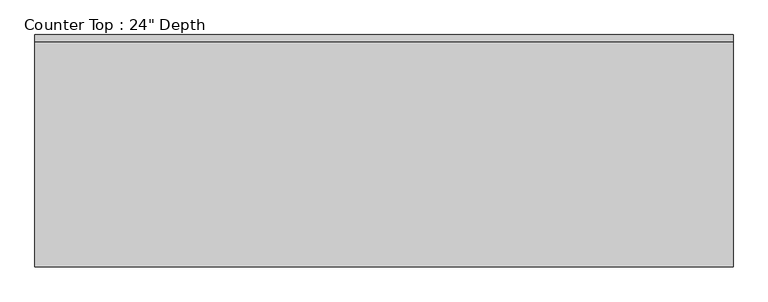
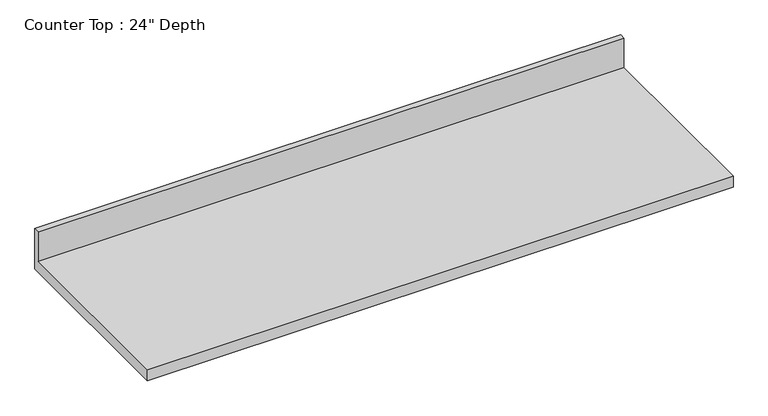
"""IFC4 building model written with IfcOpenShell, lengths in millimetres: furniture geometry."""

from ifc_helpers import new_model, si_unit, frame, origin, place, context, project, spatial, polyline, outline, extrude, source, transform, mapped, element, save


def furniture_82df5bfc(model_context):
    return source(origin(), model_context, "Body", "SweptSolid", [
        extrude(outline(polyline([(0.0, 1016.0), (0.0, 876.3), (-635.0, 876.3), (-635.0, 914.4), (-19.05, 914.4), (-19.05, 1016.0), (0.0, 1016.0)])), frame((-1200.4622951, 0.0, 0.0), z_axis=(1.0, 0.0, 0.0), x_axis=(0.0, 1.0, 0.0)), (0.0, 0.0, 1.0), 1908.6186914),
    ])


if __name__ == "__main__":
    model = new_model("IFC4")
    model_context = context("Model", 3, world=origin())
    ifc_project = project(units=[si_unit("LENGTHUNIT", "METRE", prefix="MILLI")], contexts=[model_context])
    site = spatial("IfcSite", under=ifc_project)
    building = spatial("IfcBuilding", under=site)
    placement = place(None, origin())
    furniture_shape = furniture_82df5bfc(model_context)
    element("IfcFurniture", 1, ObjectType="Counter Top : 24\" Depth", at=placement, inside=building, context=model_context, shape_type="MappedRepresentation", body=[
        mapped(furniture_shape, transform((0.0, 0.0, 0.0), x_axis=(1.0, 0.0, 0.0), y_axis=(0.0, 1.0, 0.0), z_axis=(0.0, 0.0, 1.0))),
    ])
    save(model, "model.ifc")
